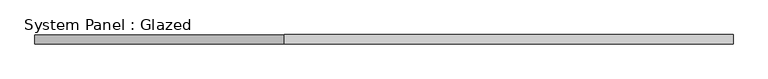
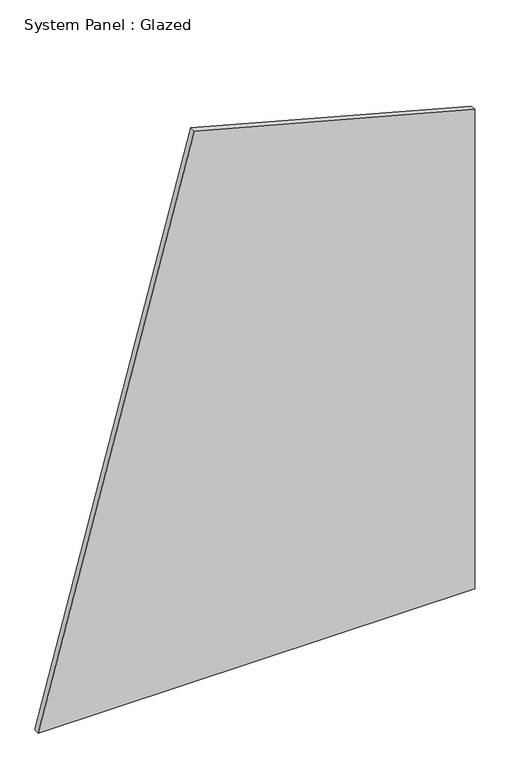
"""IFC4 building model written with IfcOpenShell, lengths in millimetres: plate geometry, System Panel : Glazed."""

from ifc_helpers import new_model, si_unit, frame, origin, place, context, project, spatial, polyline, outline, extrude, source, transform, mapped, element, save


def system_panel_glazed_cad2f010(model_context):
    return source(origin(), model_context, "Body", "SweptSolid", [
        extrude(outline(polyline([(0.0, -931.2118768), (0.0, 931.2118768), (2162.2118968, 931.2118768), (2482.9771023, -265.9001674), (0.0, -931.2118768)])), frame((0.0, -2.5, 0.0), z_axis=(0.0, 1.0, 0.0), x_axis=(0.0, 0.0, 1.0)), (0.0, 0.0, 1.0), 25.0),
    ])


if __name__ == "__main__":
    model = new_model("IFC4")
    model_context = context("Model", 3, world=origin())
    ifc_project = project(units=[si_unit("LENGTHUNIT", "METRE", prefix="MILLI")], contexts=[model_context])
    site = spatial("IfcSite", under=ifc_project)
    building = spatial("IfcBuilding", under=site)
    placement = place(None, origin())
    system_panel_glazed_shape = system_panel_glazed_cad2f010(model_context)
    element("IfcPlate", 1, ObjectType="System Panel : Glazed", at=placement, inside=building, context=model_context, shape_type="MappedRepresentation", body=[
        mapped(system_panel_glazed_shape, transform((0.0, 0.0, 0.0), x_axis=(1.0, 0.0, 0.0), y_axis=(0.0, 1.0, 0.0), z_axis=(0.0, 0.0, 1.0))),
    ])
    save(model, "model.ifc")
